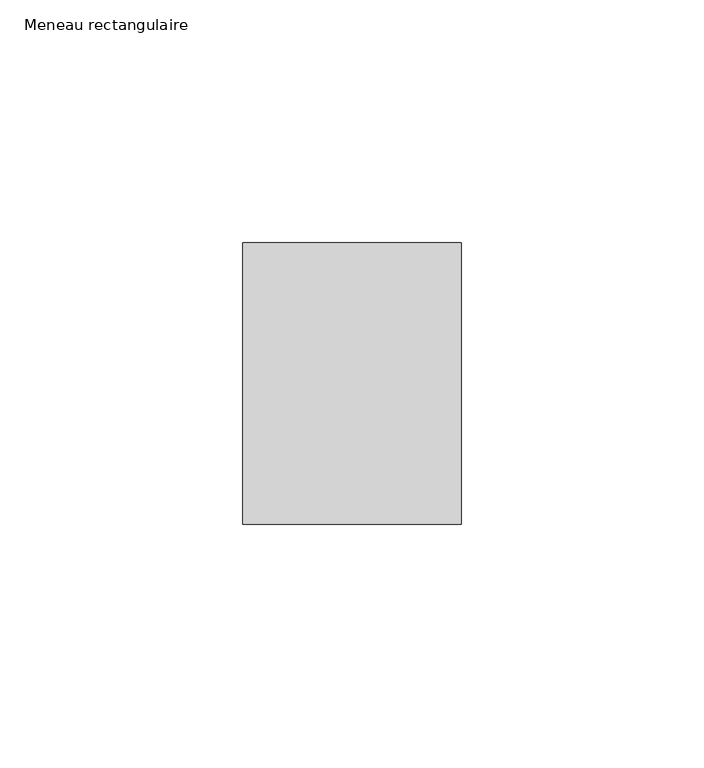
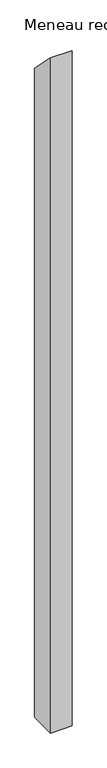
"""IFC4 building model written with IfcOpenShell, lengths in millimetres: member geometry, Meneau rectangulaire."""

from ifc_helpers import new_model, si_unit, frame, origin, place, context, project, spatial, polyline, outline, extrude, source, transform, mapped, element, save


def meneau_rectangulaire_79920fb1(model_context):
    return source(origin(), model_context, "Body", "SweptSolid", [
        extrude(outline(polyline([(-29.0, 29.0), (29.0, -29.0), (29.0, -1468.256074), (-29.0, -1468.256074), (-29.0, 29.0)])), frame((-45.0, 0.0, 0.0), z_axis=(1.0, 0.0, 0.0), x_axis=(0.0, 1.0, 0.0)), (0.0, 0.0, 1.0), 45.0),
    ])


if __name__ == "__main__":
    model = new_model("IFC4")
    model_context = context("Model", 3, world=origin())
    ifc_project = project(units=[si_unit("LENGTHUNIT", "METRE", prefix="MILLI")], contexts=[model_context])
    site = spatial("IfcSite", under=ifc_project)
    building = spatial("IfcBuilding", under=site)
    placement = place(None, origin())
    meneau_rectangulaire_shape = meneau_rectangulaire_79920fb1(model_context)
    element("IfcMember", 1, ObjectType="Meneau rectangulaire", at=placement, inside=building, context=model_context, shape_type="MappedRepresentation", body=[
        mapped(meneau_rectangulaire_shape, transform((0.0, 0.0, 0.0), x_axis=(1.0, 0.0, 0.0), y_axis=(0.0, 1.0, 0.0), z_axis=(0.0, 0.0, 1.0))),
    ])
    save(model, "model.ifc")
